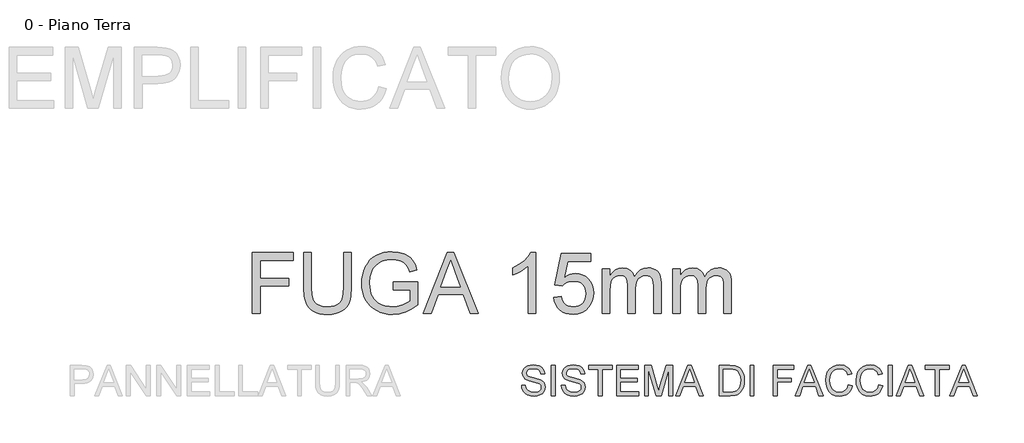
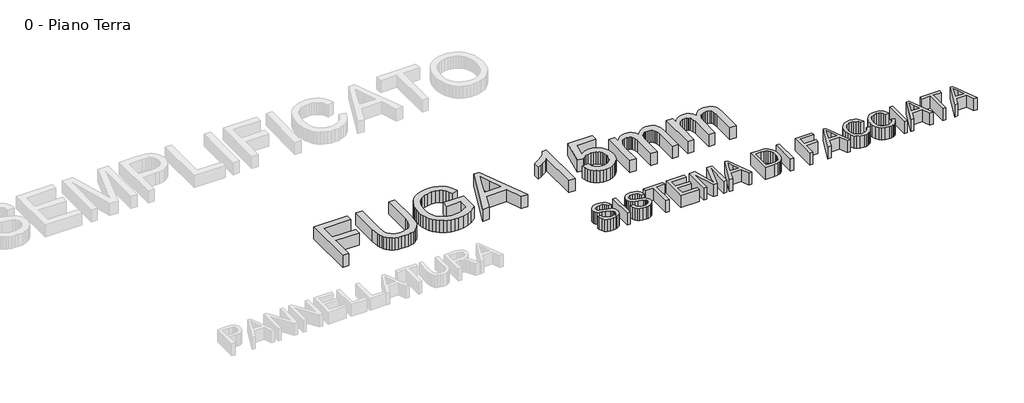
# One storey, part 12 of 17: 2 proxies.
"""IFC4 building model written with IfcOpenShell, lengths in millimetres."""

from ifc_helpers import new_model, si_unit, origin, origin_with_axes, place, context, project, spatial, polyline, outline, extrude, element, save

model = new_model("IFC4")

# Units and contexts
model_context = context("Model", 3, world=origin())
ifc_project = project(units=[si_unit("LENGTHUNIT", "METRE", prefix="MILLI")], contexts=[model_context])

# Site, building, storey
site = spatial("IfcSite", under=ifc_project)
building = spatial("IfcBuilding", under=site)
storey = spatial("IfcBuildingStorey", under=building, Name="0 - Piano Terra", Elevation=0.0)

# Proxies
placement = place(None, origin())
element("IfcBuildingElementProxy", 1, Name="Testo modello 1", ObjectType="Testo modello 1", at=placement, inside=storey, context=model_context, shape_type="SweptSolid", body=[
    extrude(outline(polyline([(-817.0887604, -8531.082543), (-817.0887604, -7940.3133122), (-420.1656835, -7940.3133122), (-420.1656835, -8014.1594661), (-743.2426065, -8014.1594661), (-743.2426065, -8189.5440815), (-466.3195296, -8189.5440815), (-466.3195296, -8263.3902353), (-743.2426065, -8263.3902353), (-743.2426065, -8531.082543), (-817.0887604, -8531.082543)])), origin_with_axes(), (0.0, 0.0, 1.0), 150.0),
    extrude(outline(polyline([(69.0650858, -7940.3133122), (142.9112396, -7940.3133122), (142.9112396, -8281.1306199), (137.8992204, -8360.9443218), (131.6341963, -8393.9686608), (122.8631627, -8422.4046584), (110.8289079, -8447.3295382), (94.7742204, -8469.8205238), (74.6991002, -8489.8776151), (50.6035473, -8507.5008122), (22.4605185, -8521.856281), (-9.7570296, -8532.1101872), (-46.0490969, -8538.262531), (-86.4156835, -8540.3133122), (-125.7861762, -8538.5284565), (-161.3976546, -8533.1738891), (-193.2501186, -8524.2496103), (-221.3435681, -8511.7556199), (-245.6825104, -8495.8767137), (-266.2714527, -8476.7976872), (-283.110395, -8454.5185406), (-296.1993373, -8429.0392738), (-306.0115368, -8399.4854877), (-313.0202508, -8364.9827834), (-318.6272219, -8281.1306199), (-318.6272219, -7940.3133122), (-244.7810681, -7940.3133122), (-244.7810681, -8278.5344661), (-241.1392412, -8344.8986488), (-230.2137604, -8391.1065815), (-221.6230152, -8408.1393339), (-210.4180873, -8423.1077834), (-196.5989767, -8436.01193), (-180.1656835, -8446.8517738), (-140.7185681, -8461.5633122), (-93.3387604, -8466.4671584), (-52.6386402, -8464.0422786), (-18.2305873, -8456.7676391), (9.8853983, -8444.6432401), (31.7093165, -8427.6690815), (48.0524656, -8403.7988891), (59.7261435, -8370.9863891), (66.7303502, -8329.2315815), (69.0650858, -8278.5344661), (69.0650858, -7940.3133122)])), origin_with_axes(), (0.0, 0.0, 1.0), 150.0),
    extrude(outline(polyline([(549.0650858, -8300.3133122), (549.0650858, -8226.4671584), (789.0650858, -8226.4671584), (789.0650858, -8447.2844661), (730.7417685, -8487.8493699), (670.5795088, -8516.9479276), (608.7225377, -8534.4719661), (545.3150858, -8540.3133122), (502.897718, -8537.9920983), (462.4725377, -8531.0284565), (424.0395449, -8519.4223867), (387.5987396, -8503.1738891), (354.326504, -8482.5263531), (325.3992204, -8457.723168), (300.8168887, -8428.7643339), (280.5795088, -8395.6498507), (264.772718, -8359.4389132), (253.4821531, -8321.1907161), (246.7078141, -8280.9052593), (244.4497012, -8238.582543), (246.6987997, -8196.2553194), (253.4460954, -8155.379418), (264.6915882, -8115.9548387), (280.4352781, -8077.9815815), (300.397718, -8043.1273146), (324.2994608, -8013.0597065), (352.1405064, -7987.7787569), (383.920855, -7967.2844661), (418.9509031, -7951.4461247), (456.5410473, -7940.1330238), (496.6912877, -7933.3451632), (539.4016242, -7931.082543), (600.2309512, -7936.3289372), (654.9304704, -7952.0681199), (700.9941723, -7977.1642738), (719.8478382, -7992.7952834), (735.9160473, -8010.4815815), (761.7513838, -8053.6246103), (780.5554704, -8108.1979276), (712.4785473, -8127.3806199), (697.28023, -8088.4563411), (678.8006627, -8059.0873507), (654.3535473, -8036.9479276), (621.2525858, -8019.7123507), (581.7874415, -8008.6246103), (538.2477781, -8004.9286968), (487.28023, -8008.9130718), (443.7045088, -8020.8661968), (407.6828742, -8039.2916776), (379.3775858, -8062.6931199), (357.6528262, -8089.8625911), (341.3727781, -8119.5921584), (324.0650858, -8175.3373507), (318.295855, -8235.5536968), (320.0311314, -8272.4271944), (325.2369608, -8306.1726872), (333.913343, -8336.7901752), (346.0602781, -8364.2796584), (361.5200137, -8388.5374709), (380.1347973, -8409.4599468), (401.904629, -8427.0470863), (426.8295088, -8441.2988891), (453.7420689, -8452.3100069), (481.4749415, -8460.1750911), (510.0281266, -8464.8941416), (539.4016242, -8466.4671584), (590.5494608, -8461.7255718), (640.4352781, -8447.5008122), (683.7585954, -8427.9034565), (715.2189319, -8407.0440815), (715.2189319, -8300.3133122), (549.0650858, -8300.3133122)])), origin_with_axes(), (0.0, 0.0, 1.0), 150.0),
    extrude(outline(polyline([(840.2670088, -8531.082543), (1076.0843165, -7940.3133122), (1138.9689319, -7940.3133122), (1374.7862396, -8531.082543), (1296.7573935, -8531.082543), (1229.1131627, -8346.4671584), (985.795855, -8346.4671584), (918.295855, -8531.082543), (840.2670088, -8531.082543)]), holes=[polyline([(1012.9112396, -8272.6210045), (1202.1420088, -8272.6210045), (1148.920855, -8127.3806199), (1107.5266242, -8014.1594661), (1070.7477781, -8114.6883122), (1012.9112396, -8272.6210045)])]), origin_with_axes(), (0.0, 0.0, 1.0), 150.0),
    extrude(outline(polyline([(1933.6804704, -8531.082543), (1859.8343165, -8531.082543), (1859.8343165, -8070.6979276), (1829.0049896, -8095.6318218), (1789.8823935, -8120.5296584), (1748.8126819, -8142.2904757), (1712.1420088, -8157.8133122), (1712.1420088, -8088.0056199), (1770.1408069, -8056.4551391), (1820.3872012, -8018.9190815), (1859.9965762, -7979.0032161), (1886.0843165, -7940.3133122), (1933.6804704, -7940.3133122), (1933.6804704, -8531.082543)])), origin_with_axes(), (0.0, 0.0, 1.0), 150.0),
    extrude(outline(polyline([(2109.0650858, -8374.1594661), (2182.9112396, -8364.9286968), (2188.4280665, -8388.66818), (2196.4689319, -8409.2616295), (2207.0338358, -8426.7090454), (2220.1227781, -8441.0104276), (2235.7087156, -8452.1477473), (2253.764605, -8460.1029757), (2274.2904463, -8464.8761127), (2297.2862396, -8466.4671584), (2325.4112396, -8464.2541175), (2350.2189319, -8457.6149949), (2371.7093165, -8446.5497906), (2389.8823935, -8431.0585045), (2404.3325137, -8411.9073627), (2414.6540281, -8389.8625911), (2420.8469367, -8364.9241896), (2422.9112396, -8337.0921584), (2420.9776459, -8310.7880718), (2415.1768646, -8287.4046584), (2405.5088959, -8266.941918), (2391.9737396, -8249.3998507), (2374.5263238, -8235.3283363), (2353.1215762, -8225.2772545), (2327.7594968, -8219.2466055), (2298.4400858, -8217.2363891), (2262.6167685, -8220.4455238), (2233.608355, -8230.0729276), (2210.4412877, -8244.8205238), (2192.1420088, -8263.3902353), (2118.295855, -8254.1594661), (2182.9112396, -7949.5440815), (2469.0650858, -7949.5440815), (2469.0650858, -8023.3902353), (2242.6227781, -8023.3902353), (2211.0362396, -8186.082543), (2237.0969367, -8167.4046584), (2263.7886435, -8154.0633122), (2291.1113598, -8146.0585045), (2319.0650858, -8143.3902353), (2355.0281266, -8146.6985286), (2388.06148, -8156.6234084), (2418.1651459, -8173.1648747), (2445.3391242, -8196.3229276), (2467.834617, -8224.6823026), (2483.9028262, -8256.8277353), (2493.5437516, -8292.7592257), (2496.7573935, -8332.4767738), (2493.8637637, -8370.7339853), (2485.1828742, -8406.3229276), (2470.7147252, -8439.2436007), (2450.4593165, -8469.4960045), (2419.7742204, -8500.4785766), (2383.9689319, -8522.6089853), (2343.0434512, -8535.8872305), (2296.9977781, -8540.3133122), (2258.8893045, -8537.4692617), (2224.46773, -8528.9371103), (2193.7330545, -8514.7168579), (2166.6852781, -8494.8085045), (2144.1807709, -8470.2036367), (2127.0759031, -8441.8938411), (2115.3706747, -8409.8791175), (2109.0650858, -8374.1594661)])), origin_with_axes(), (0.0, 0.0, 1.0), 150.0),
    extrude(outline(polyline([(2579.8343165, -8531.082543), (2579.8343165, -8097.2363891), (2653.6804704, -8097.2363891), (2653.6804704, -8168.6306199), (2675.8920088, -8135.8361488), (2704.4497012, -8110.145043), (2738.3799896, -8093.5404757), (2776.7093165, -8088.0056199), (2817.7790281, -8093.6486488), (2835.2579944, -8100.7024348), (2850.6997012, -8110.5777353), (2875.2910473, -8137.6750911), (2891.3727781, -8173.8229276), (2918.2898454, -8136.2778555), (2948.9929704, -8109.4599468), (2983.4821531, -8093.3692016), (3021.7573935, -8088.0056199), (3051.3201939, -8090.2366896), (3077.2682108, -8096.9298988), (3099.6014439, -8108.0852473), (3118.3198935, -8123.7027353), (3133.1170689, -8143.9626512), (3143.68648, -8169.0452834), (3150.0281266, -8198.9506319), (3152.1420088, -8233.6786968), (3152.1420088, -8531.082543), (3078.295855, -8531.082543), (3078.295855, -8265.4094661), (3076.5831146, -8228.5765334), (3071.4448935, -8203.7508122), (3061.8174896, -8186.7496103), (3046.6372012, -8173.3902353), (3027.1119608, -8164.7363891), (3004.4497012, -8161.8517738), (2983.522718, -8163.6997305), (2964.4436915, -8169.2436007), (2947.2126218, -8178.4833843), (2931.8295088, -8191.4190815), (2919.1777661, -8208.4292978), (2910.1408069, -8229.8926391), (2904.7186314, -8255.8091055), (2902.9112396, -8286.1786968), (2902.9112396, -8531.082543), (2829.0650858, -8531.082543), (2829.0650858, -8257.1883122), (2824.7922492, -8215.4335045), (2811.9737396, -8185.6498507), (2802.0623814, -8175.238192), (2789.4196531, -8167.801293), (2774.0455545, -8163.3391536), (2755.9400858, -8161.8517738), (2727.4905665, -8165.8181199), (2701.2766242, -8177.7171584), (2679.6420088, -8197.2604276), (2664.9304704, -8224.1594661), (2656.4929704, -8261.4791776), (2653.6804704, -8312.2844661), (2653.6804704, -8531.082543), (2579.8343165, -8531.082543)])), origin_with_axes(), (0.0, 0.0, 1.0), 150.0),
    extrude(outline(polyline([(3262.9112396, -8531.082543), (3262.9112396, -8097.2363891), (3336.7573935, -8097.2363891), (3336.7573935, -8168.6306199), (3358.9689319, -8135.8361488), (3387.5266242, -8110.145043), (3421.4569127, -8093.5404757), (3459.7862396, -8088.0056199), (3500.8559512, -8093.6486488), (3518.3349175, -8100.7024348), (3533.7766242, -8110.5777353), (3558.3679704, -8137.6750911), (3574.4497012, -8173.8229276), (3601.3667685, -8136.2778555), (3632.0698935, -8109.4599468), (3666.5590762, -8093.3692016), (3704.8343165, -8088.0056199), (3734.397117, -8090.2366896), (3760.3451338, -8096.9298988), (3782.678367, -8108.0852473), (3801.3968165, -8123.7027353), (3816.193992, -8143.9626512), (3826.7634031, -8169.0452834), (3833.1050497, -8198.9506319), (3835.2189319, -8233.6786968), (3835.2189319, -8531.082543), (3761.3727781, -8531.082543), (3761.3727781, -8265.4094661), (3759.6600377, -8228.5765334), (3754.5218165, -8203.7508122), (3744.8944127, -8186.7496103), (3729.7141242, -8173.3902353), (3710.1888838, -8164.7363891), (3687.5266242, -8161.8517738), (3666.5996411, -8163.6997305), (3647.5206146, -8169.2436007), (3630.2895449, -8178.4833843), (3614.9064319, -8191.4190815), (3602.2546891, -8208.4292978), (3593.21773, -8229.8926391), (3587.7955545, -8255.8091055), (3585.9881627, -8286.1786968), (3585.9881627, -8531.082543), (3512.1420088, -8531.082543), (3512.1420088, -8257.1883122), (3507.8691723, -8215.4335045), (3495.0506627, -8185.6498507), (3485.1393045, -8175.238192), (3472.4965762, -8167.801293), (3457.1224776, -8163.3391536), (3439.0170088, -8161.8517738), (3410.5674896, -8165.8181199), (3384.3535473, -8177.7171584), (3362.7189319, -8197.2604276), (3348.0073935, -8224.1594661), (3339.5698935, -8261.4791776), (3336.7573935, -8312.2844661), (3336.7573935, -8531.082543), (3262.9112396, -8531.082543)])), origin_with_axes(), (0.0, 0.0, 1.0), 150.0),
])
element("IfcBuildingElementProxy", 2, Name="Testo modello 2", ObjectType="Testo modello 2", at=placement, inside=storey, context=model_context, shape_type="SweptSolid", body=[
    extrude(outline(polyline([(1795.9881627, -9229.5440815), (1832.9112396, -9229.5440815), (1837.1480185, -9250.0338651), (1844.8102781, -9266.5032161), (1856.7634031, -9279.5741295), (1873.8727781, -9289.8686007), (1894.7862396, -9296.5482882), (1918.1516242, -9298.7748507), (1938.7225377, -9297.0891536), (1956.733355, -9292.0320622), (1971.327706, -9284.0272545), (1981.6492204, -9273.4984084), (1987.7880425, -9261.410067), (1989.8343165, -9248.7267738), (1988.3018646, -9236.3679997), (1983.7045088, -9225.6859084), (1974.3655665, -9216.5723266), (1958.608355, -9208.9190815), (1904.8463358, -9194.8205238), (1869.5548694, -9185.4905959), (1846.9737396, -9176.6113891), (1828.593331, -9164.1895141), (1815.5674896, -9149.1354276), (1807.8060713, -9131.7736488), (1805.2189319, -9112.4286968), (1808.4190521, -9090.8030959), (1818.0194127, -9070.6378315), (1833.7676098, -9053.5464853), (1855.4112396, -9041.1426391), (1881.3908069, -9033.597567), (1910.1468165, -9031.082543), (1941.3006627, -9033.7147545), (1968.5602781, -9041.6113891), (1990.952105, -9054.6101872), (2007.5025858, -9072.5488891), (2017.9773454, -9094.3097065), (2022.1420088, -9118.7748507), (1985.2189319, -9118.7748507), (1978.4400858, -9096.7436007), (1964.3054704, -9080.8421584), (1942.2201338, -9071.2147545), (1911.5891242, -9068.0056199), (1880.2369608, -9071.1786968), (1858.7285473, -9080.6979276), (1846.2886435, -9094.7063411), (1842.1420088, -9111.3469661), (1845.0807108, -9125.535668), (1853.8968165, -9136.9479276), (1874.7381627, -9147.1522545), (1914.1852781, -9157.5729276), (1979.5218165, -9176.1065815), (2000.5704944, -9189.5020141), (2015.2549896, -9206.0344661), (2023.8817925, -9225.5236488), (2026.7573935, -9247.7892738), (2023.4491002, -9270.550692), (2013.5242204, -9291.9599468), (1997.3884031, -9310.3854276), (1975.4472973, -9324.1955238), (1949.062081, -9332.8223266), (1919.5939319, -9335.6979276), (1883.4190521, -9332.5969661), (1853.6444127, -9323.2940815), (1829.9274656, -9307.7532161), (1811.9256627, -9285.9383122), (1800.3691723, -9259.363793), (1795.9881627, -9229.5440815)])), origin_with_axes(), (0.0, 0.0, 1.0), 150.0),
    extrude(outline(polyline([(2086.7573935, -9331.082543), (2086.7573935, -9035.6979276), (2123.6804704, -9035.6979276), (2123.6804704, -9331.082543), (2086.7573935, -9331.082543)])), origin_with_axes(), (0.0, 0.0, 1.0), 150.0),
    extrude(outline(polyline([(2183.6804704, -9229.5440815), (2220.6035473, -9229.5440815), (2224.8403262, -9250.0338651), (2232.5025858, -9266.5032161), (2244.4557108, -9279.5741295), (2261.5650858, -9289.8686007), (2282.4785473, -9296.5482882), (2305.8439319, -9298.7748507), (2326.4148454, -9297.0891536), (2344.4256627, -9292.0320622), (2359.0200137, -9284.0272545), (2369.3415281, -9273.4984084), (2375.4803502, -9261.410067), (2377.5266242, -9248.7267738), (2375.9941723, -9236.3679997), (2371.3968165, -9225.6859084), (2362.0578742, -9216.5723266), (2346.3006627, -9208.9190815), (2292.5386435, -9194.8205238), (2257.2471771, -9185.4905959), (2234.6660473, -9176.6113891), (2216.2856387, -9164.1895141), (2203.2597973, -9149.1354276), (2195.498379, -9131.7736488), (2192.9112396, -9112.4286968), (2196.1113598, -9090.8030959), (2205.7117204, -9070.6378315), (2221.4599175, -9053.5464853), (2243.1035473, -9041.1426391), (2269.0831146, -9033.597567), (2297.8391242, -9031.082543), (2328.9929704, -9033.7147545), (2356.2525858, -9041.6113891), (2378.6444127, -9054.6101872), (2395.1948935, -9072.5488891), (2405.6696531, -9094.3097065), (2409.8343165, -9118.7748507), (2372.9112396, -9118.7748507), (2366.1323935, -9096.7436007), (2351.9977781, -9080.8421584), (2329.9124415, -9071.2147545), (2299.2814319, -9068.0056199), (2267.9292685, -9071.1786968), (2246.420855, -9080.6979276), (2233.9809512, -9094.7063411), (2229.8343165, -9111.3469661), (2232.7730185, -9125.535668), (2241.5891242, -9136.9479276), (2262.4304704, -9147.1522545), (2301.8775858, -9157.5729276), (2367.2141242, -9176.1065815), (2388.2628021, -9189.5020141), (2402.9472973, -9206.0344661), (2411.5741002, -9225.5236488), (2414.4497012, -9247.7892738), (2411.1414079, -9270.550692), (2401.2165281, -9291.9599468), (2385.0807108, -9310.3854276), (2363.139605, -9324.1955238), (2336.7543887, -9332.8223266), (2307.2862396, -9335.6979276), (2271.1113598, -9332.5969661), (2241.3367204, -9323.2940815), (2217.6197733, -9307.7532161), (2199.6179704, -9285.9383122), (2188.06148, -9259.363793), (2183.6804704, -9229.5440815)])), origin_with_axes(), (0.0, 0.0, 1.0), 150.0),
    extrude(outline(polyline([(2543.6804704, -9331.082543), (2543.6804704, -9072.6210045), (2446.7573935, -9072.6210045), (2446.7573935, -9035.6979276), (2677.5266242, -9035.6979276), (2677.5266242, -9072.6210045), (2580.6035473, -9072.6210045), (2580.6035473, -9331.082543), (2543.6804704, -9331.082543)])), origin_with_axes(), (0.0, 0.0, 1.0), 150.0),
    extrude(outline(polyline([(2719.0650858, -9331.082543), (2719.0650858, -9035.6979276), (2931.3727781, -9035.6979276), (2931.3727781, -9072.6210045), (2755.9881627, -9072.6210045), (2755.9881627, -9160.3133122), (2922.1420088, -9160.3133122), (2922.1420088, -9197.2363891), (2755.9881627, -9197.2363891), (2755.9881627, -9294.1594661), (2935.9881627, -9294.1594661), (2935.9881627, -9331.082543), (2719.0650858, -9331.082543)])), origin_with_axes(), (0.0, 0.0, 1.0), 150.0),
    extrude(outline(polyline([(2991.3727781, -9331.082543), (2991.3727781, -9035.6979276), (3054.9064319, -9035.6979276), (3115.3391242, -9243.895043), (3127.5266242, -9287.3806199), (3140.7237396, -9240.2892738), (3200.1468165, -9035.6979276), (3263.6804704, -9035.6979276), (3263.6804704, -9331.082543), (3226.7573935, -9331.082543), (3226.7573935, -9072.6210045), (3152.5506627, -9331.082543), (3102.5025858, -9331.082543), (3028.295855, -9072.6210045), (3028.295855, -9331.082543), (2991.3727781, -9331.082543)])), origin_with_axes(), (0.0, 0.0, 1.0), 150.0),
    extrude(outline(polyline([(3293.8968165, -9331.082543), (3411.8054704, -9035.6979276), (3443.2477781, -9035.6979276), (3561.1564319, -9331.082543), (3522.1420088, -9331.082543), (3488.3198935, -9238.7748507), (3366.6612396, -9238.7748507), (3332.9112396, -9331.082543), (3293.8968165, -9331.082543)]), holes=[polyline([(3380.2189319, -9201.8517738), (3474.8343165, -9201.8517738), (3448.2237396, -9129.2315815), (3427.5266242, -9072.6210045), (3409.1372012, -9122.8854276), (3380.2189319, -9201.8517738)])]), origin_with_axes(), (0.0, 0.0, 1.0), 150.0),
    extrude(outline(polyline([(3715.9881627, -9331.082543), (3715.9881627, -9035.6979276), (3817.8872012, -9035.6979276), (3870.6035473, -9039.9527353), (3894.1492204, -9048.1558603), (3914.0170088, -9061.082543), (3934.4436915, -9083.582543), (3948.9929704, -9111.5633122), (3957.7009031, -9144.4839853), (3960.6035473, -9181.8036968), (3958.6384031, -9213.5074228), (3952.7429704, -9241.4070622), (3943.764605, -9265.160067), (3932.5506627, -9284.4238891), (3919.6420088, -9299.6312209), (3905.5795088, -9311.2147545), (3889.4346771, -9319.8054997), (3870.2790281, -9326.0344661), (3822.7910473, -9331.082543), (3715.9881627, -9331.082543)]), holes=[polyline([(3752.9112396, -9294.1594661), (3818.2477781, -9294.1594661), (3845.2730185, -9292.8253315), (3865.7718165, -9288.8229276), (3881.2405665, -9282.3866295), (3893.1756627, -9273.7508122), (3906.0031867, -9257.7682401), (3915.639605, -9237.0801391), (3921.670254, -9211.5963651), (3923.6804704, -9181.2267738), (3919.7411675, -9140.9863891), (3907.9232588, -9111.2748507), (3890.4623213, -9090.8661968), (3869.5939319, -9078.5344661), (3848.3559512, -9074.0993699), (3817.2381627, -9072.6210045), (3752.9112396, -9072.6210045), (3752.9112396, -9294.1594661)])]), origin_with_axes(), (0.0, 0.0, 1.0), 150.0),
    extrude(outline(polyline([(4015.9881627, -9331.082543), (4015.9881627, -9035.6979276), (4052.9112396, -9035.6979276), (4052.9112396, -9331.082543), (4015.9881627, -9331.082543)])), origin_with_axes(), (0.0, 0.0, 1.0), 150.0),
    extrude(outline(polyline([(4242.1420088, -9331.082543), (4242.1420088, -9035.6979276), (4440.6035473, -9035.6979276), (4440.6035473, -9072.6210045), (4279.0650858, -9072.6210045), (4279.0650858, -9160.3133122), (4417.5266242, -9160.3133122), (4417.5266242, -9197.2363891), (4279.0650858, -9197.2363891), (4279.0650858, -9331.082543), (4242.1420088, -9331.082543)])), origin_with_axes(), (0.0, 0.0, 1.0), 150.0),
    extrude(outline(polyline([(4456.9737396, -9331.082543), (4574.8823935, -9035.6979276), (4606.3247012, -9035.6979276), (4724.233355, -9331.082543), (4685.2189319, -9331.082543), (4651.3968165, -9238.7748507), (4529.7381627, -9238.7748507), (4495.9881627, -9331.082543), (4456.9737396, -9331.082543)]), holes=[polyline([(4543.295855, -9201.8517738), (4637.9112396, -9201.8517738), (4611.3006627, -9129.2315815), (4590.6035473, -9072.6210045), (4572.2141242, -9122.8854276), (4543.295855, -9201.8517738)])]), origin_with_axes(), (0.0, 0.0, 1.0), 150.0),
    extrude(outline(polyline([(4971.3727781, -9226.082543), (5008.295855, -9235.6017738), (5000.9896651, -9258.5637629), (4991.2585954, -9278.6276151), (4979.1026459, -9295.7933303), (4964.5218165, -9310.0609084), (4947.8451338, -9321.2771043), (4929.4016242, -9329.2886728), (4909.1912877, -9334.0956139), (4887.2141242, -9335.6979276), (4844.3866002, -9330.848168), (4810.3751819, -9316.2988891), (4784.3054704, -9292.5548988), (4765.3030665, -9260.1210045), (4753.701504, -9221.9899949), (4749.8343165, -9181.1546584), (4754.2063117, -9138.0837449), (4767.3222973, -9100.8902353), (4788.4971771, -9070.755019), (4817.045855, -9048.8589853), (4850.9040281, -9035.5266536), (4888.0073935, -9031.082543), (4928.4911675, -9036.8337449), (4946.1030966, -9044.0227473), (4961.9617204, -9054.0873507), (4975.8056206, -9066.7616295), (4987.373379, -9081.7796584), (5003.6804704, -9118.8469661), (4966.7573935, -9127.645043), (4953.9569127, -9100.7189613), (4936.4689319, -9082.2484084), (4914.077105, -9071.566317), (4886.5650858, -9068.0056199), (4854.8523454, -9071.9539372), (4828.8006627, -9083.7988891), (4809.0320329, -9102.2964853), (4796.1684512, -9126.2027353), (4789.1101579, -9153.2279757), (4786.7573935, -9181.082543), (4789.5428502, -9215.1931199), (4797.8992204, -9244.6883122), (4812.1420088, -9268.441317), (4832.5867204, -9285.3253315), (4857.0969367, -9295.4124709), (4883.5362396, -9298.7748507), (4914.3565521, -9294.1955238), (4940.0386435, -9280.457543), (4959.4286675, -9257.7051391), (4971.3727781, -9226.082543)])), origin_with_axes(), (0.0, 0.0, 1.0), 150.0),
    extrude(outline(polyline([(5266.7573935, -9226.082543), (5303.6804704, -9235.6017738), (5296.3742805, -9258.5637629), (5286.6432108, -9278.6276151), (5274.4872613, -9295.7933303), (5259.9064319, -9310.0609084), (5243.2297492, -9321.2771043), (5224.7862396, -9329.2886728), (5204.5759031, -9334.0956139), (5182.5987396, -9335.6979276), (5139.7712156, -9330.848168), (5105.7597973, -9316.2988891), (5079.6900858, -9292.5548988), (5060.6876819, -9260.1210045), (5049.0861194, -9221.9899949), (5045.2189319, -9181.1546584), (5049.5909271, -9138.0837449), (5062.7069127, -9100.8902353), (5083.8817925, -9070.755019), (5112.4304704, -9048.8589853), (5146.2886435, -9035.5266536), (5183.3920088, -9031.082543), (5223.8757829, -9036.8337449), (5241.487712, -9044.0227473), (5257.3463358, -9054.0873507), (5271.190236, -9066.7616295), (5282.7579944, -9081.7796584), (5299.0650858, -9118.8469661), (5262.1420088, -9127.645043), (5249.3415281, -9100.7189613), (5231.8535473, -9082.2484084), (5209.4617204, -9071.566317), (5181.9497012, -9068.0056199), (5150.2369608, -9071.9539372), (5124.1852781, -9083.7988891), (5104.4166483, -9102.2964853), (5091.5530665, -9126.2027353), (5084.4947733, -9153.2279757), (5082.1420088, -9181.082543), (5084.9274656, -9215.1931199), (5093.2838358, -9244.6883122), (5107.5266242, -9268.441317), (5127.9713358, -9285.3253315), (5152.4815521, -9295.4124709), (5178.920855, -9298.7748507), (5209.7411675, -9294.1955238), (5235.4232588, -9280.457543), (5254.8132829, -9257.7051391), (5266.7573935, -9226.082543)])), origin_with_axes(), (0.0, 0.0, 1.0), 150.0),
    extrude(outline(polyline([(5359.0650858, -9331.082543), (5359.0650858, -9035.6979276), (5395.9881627, -9035.6979276), (5395.9881627, -9331.082543), (5359.0650858, -9331.082543)])), origin_with_axes(), (0.0, 0.0, 1.0), 150.0),
    extrude(outline(polyline([(5435.4352781, -9331.082543), (5553.3439319, -9035.6979276), (5584.7862396, -9035.6979276), (5702.6948935, -9331.082543), (5663.6804704, -9331.082543), (5629.858355, -9238.7748507), (5508.1997012, -9238.7748507), (5474.4497012, -9331.082543), (5435.4352781, -9331.082543)]), holes=[polyline([(5521.7573935, -9201.8517738), (5616.3727781, -9201.8517738), (5589.7622012, -9129.2315815), (5569.0650858, -9072.6210045), (5550.6756627, -9122.8854276), (5521.7573935, -9201.8517738)])]), origin_with_axes(), (0.0, 0.0, 1.0), 150.0),
    extrude(outline(polyline([(5815.9881627, -9331.082543), (5815.9881627, -9072.6210045), (5719.0650858, -9072.6210045), (5719.0650858, -9035.6979276), (5949.8343165, -9035.6979276), (5949.8343165, -9072.6210045), (5852.9112396, -9072.6210045), (5852.9112396, -9331.082543), (5815.9881627, -9331.082543)])), origin_with_axes(), (0.0, 0.0, 1.0), 150.0),
    extrude(outline(polyline([(5956.9737396, -9331.082543), (6074.8823935, -9035.6979276), (6106.3247012, -9035.6979276), (6224.233355, -9331.082543), (6185.2189319, -9331.082543), (6151.3968165, -9238.7748507), (6029.7381627, -9238.7748507), (5995.9881627, -9331.082543), (5956.9737396, -9331.082543)]), holes=[polyline([(6043.295855, -9201.8517738), (6137.9112396, -9201.8517738), (6111.3006627, -9129.2315815), (6090.6035473, -9072.6210045), (6072.2141242, -9122.8854276), (6043.295855, -9201.8517738)])]), origin_with_axes(), (0.0, 0.0, 1.0), 150.0),
])

save(model, "model.ifc")
